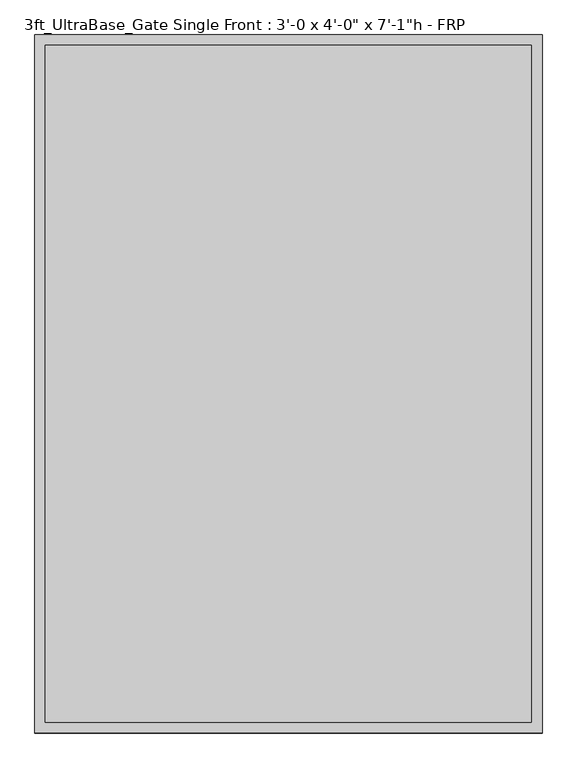
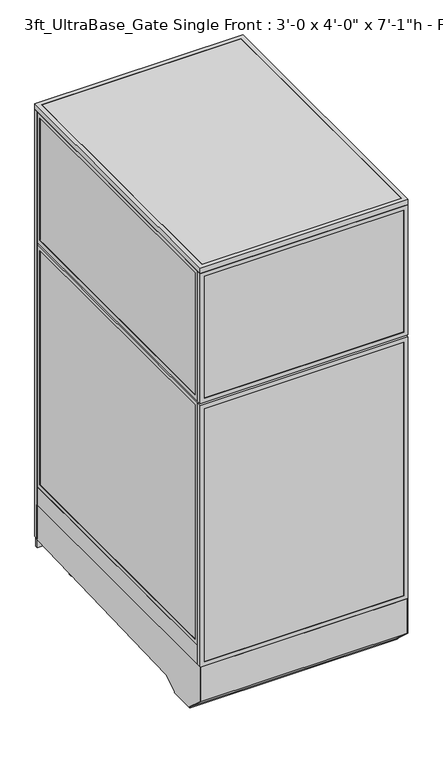
"""IFC4 building model written with IfcOpenShell, lengths in millimetres: proxy geometry."""

from ifc_helpers import new_model, si_unit, point, frame, frame_2d, origin, origin_with_axes, place, context, project, spatial, polyline, circle_curve, trimmed, segment, composite_curve, outline, extrude, source, transform, mapped, element, save


def proxy_9b3ec308(model_context):
    return source(origin(), model_context, "Body", "SweptSolid", [
        extrude(outline(composite_curve([segment(trimmed(circle_curve(frame_2d((121.1505315, 350.6380208)), 38.1), [point((83.0505315, 350.6380208))], [point((159.2505315, 350.6380208))], False, "CARTESIAN"), True, "CONTINUOUS"), segment(trimmed(circle_curve(frame_2d((121.1505315, 350.6380208)), 38.1), [point((159.2505315, 350.6380208))], [point((83.0505315, 350.6380208))], False, "CARTESIAN"), True, "CONTINUOUS")], self_intersect=False)), frame((0.0, 0.0, 103.9931848), z_axis=(0.0, 0.0, 1.0), x_axis=(1.0, 0.0, 0.0)), (0.0, 0.0, 1.0), 12.9784433),
        extrude(outline(composite_curve([segment(trimmed(circle_curve(frame_2d((121.1505315, 350.6380208)), 12.7), [point((108.4505315, 350.6380208))], [point((133.8505315, 350.6380208))], False, "CARTESIAN"), True, "CONTINUOUS"), segment(trimmed(circle_curve(frame_2d((121.1505315, 350.6380208)), 12.7), [point((133.8505315, 350.6380208))], [point((108.4505315, 350.6380208))], False, "CARTESIAN"), True, "CONTINUOUS")], self_intersect=False)), frame((0.0, 0.0, 6.35), z_axis=(0.0, 0.0, 1.0), x_axis=(1.0, 0.0, 0.0)), (0.0, 0.0, 1.0), 97.6431848),
        extrude(outline(composite_curve([segment(trimmed(circle_curve(frame_2d((121.1505315, 350.6380208)), 25.4), [point((95.7505315, 350.6380208))], [point((146.5505315, 350.6380208))], False, "CARTESIAN"), True, "CONTINUOUS"), segment(trimmed(circle_curve(frame_2d((121.1505315, 350.6380208)), 25.4), [point((146.5505315, 350.6380208))], [point((95.7505315, 350.6380208))], False, "CARTESIAN"), True, "CONTINUOUS")], self_intersect=False)), origin_with_axes(), (0.0, 0.0, 1.0), 6.35),
        extrude(outline(composite_curve([segment(trimmed(circle_curve(frame_2d((806.9505315, 350.6380208)), 38.1), [point((768.8505315, 350.6380208))], [point((845.0505315, 350.6380208))], False, "CARTESIAN"), True, "CONTINUOUS"), segment(trimmed(circle_curve(frame_2d((806.9505315, 350.6380208)), 38.1), [point((845.0505315, 350.6380208))], [point((768.8505315, 350.6380208))], False, "CARTESIAN"), True, "CONTINUOUS")], self_intersect=False)), frame((0.0, 0.0, 103.9931848), z_axis=(0.0, 0.0, 1.0), x_axis=(1.0, 0.0, 0.0)), (0.0, 0.0, 1.0), 12.9784433),
        extrude(outline(composite_curve([segment(trimmed(circle_curve(frame_2d((806.9505315, 350.6380208)), 12.7), [point((794.2505315, 350.6380208))], [point((819.6505315, 350.6380208))], False, "CARTESIAN"), True, "CONTINUOUS"), segment(trimmed(circle_curve(frame_2d((806.9505315, 350.6380208)), 12.7), [point((819.6505315, 350.6380208))], [point((794.2505315, 350.6380208))], False, "CARTESIAN"), True, "CONTINUOUS")], self_intersect=False)), frame((0.0, 0.0, 6.35), z_axis=(0.0, 0.0, 1.0), x_axis=(1.0, 0.0, 0.0)), (0.0, 0.0, 1.0), 97.6431848),
        extrude(outline(composite_curve([segment(trimmed(circle_curve(frame_2d((806.9505315, 350.6380208)), 25.4), [point((781.5505315, 350.6380208))], [point((832.3505315, 350.6380208))], False, "CARTESIAN"), True, "CONTINUOUS"), segment(trimmed(circle_curve(frame_2d((806.9505315, 350.6380208)), 25.4), [point((832.3505315, 350.6380208))], [point((781.5505315, 350.6380208))], False, "CARTESIAN"), True, "CONTINUOUS")], self_intersect=False)), origin_with_axes(), (0.0, 0.0, 1.0), 6.35),
        extrude(outline(composite_curve([segment(trimmed(circle_curve(frame_2d((120.4666548, 1136.732592)), 38.1), [point((82.3666548, 1136.732592))], [point((158.5666548, 1136.732592))], False, "CARTESIAN"), True, "CONTINUOUS"), segment(trimmed(circle_curve(frame_2d((120.4666548, 1136.732592)), 38.1), [point((158.5666548, 1136.732592))], [point((82.3666548, 1136.732592))], False, "CARTESIAN"), True, "CONTINUOUS")], self_intersect=False)), frame((0.0, 0.0, 135.7431848), z_axis=(0.0, 0.0, 1.0), x_axis=(1.0, 0.0, 0.0)), (0.0, 0.0, 1.0), 12.9784433),
        extrude(outline(composite_curve([segment(trimmed(circle_curve(frame_2d((120.4666548, 1136.732592)), 12.7), [point((107.7666548, 1136.732592))], [point((133.1666548, 1136.732592))], False, "CARTESIAN"), True, "CONTINUOUS"), segment(trimmed(circle_curve(frame_2d((120.4666548, 1136.732592)), 12.7), [point((133.1666548, 1136.732592))], [point((107.7666548, 1136.732592))], False, "CARTESIAN"), True, "CONTINUOUS")], self_intersect=False)), frame((0.0, 0.0, 6.35), z_axis=(0.0, 0.0, 1.0), x_axis=(1.0, 0.0, 0.0)), (0.0, 0.0, 1.0), 129.3931848),
        extrude(outline(composite_curve([segment(trimmed(circle_curve(frame_2d((120.4666548, 1136.732592)), 25.4), [point((95.0666548, 1136.732592))], [point((145.8666548, 1136.732592))], False, "CARTESIAN"), True, "CONTINUOUS"), segment(trimmed(circle_curve(frame_2d((120.4666548, 1136.732592)), 25.4), [point((145.8666548, 1136.732592))], [point((95.0666548, 1136.732592))], False, "CARTESIAN"), True, "CONTINUOUS")], self_intersect=False)), origin_with_axes(), (0.0, 0.0, 1.0), 6.35),
        extrude(outline(composite_curve([segment(trimmed(circle_curve(frame_2d((806.2666548, 1136.732592)), 38.1), [point((768.1666548, 1136.732592))], [point((844.3666548, 1136.732592))], False, "CARTESIAN"), True, "CONTINUOUS"), segment(trimmed(circle_curve(frame_2d((806.2666548, 1136.732592)), 38.1), [point((844.3666548, 1136.732592))], [point((768.1666548, 1136.732592))], False, "CARTESIAN"), True, "CONTINUOUS")], self_intersect=False)), frame((0.0, 0.0, 135.7431848), z_axis=(0.0, 0.0, 1.0), x_axis=(1.0, 0.0, 0.0)), (0.0, 0.0, 1.0), 12.9784433),
        extrude(outline(composite_curve([segment(trimmed(circle_curve(frame_2d((806.2666548, 1136.732592)), 12.7), [point((793.5666548, 1136.732592))], [point((818.9666548, 1136.732592))], False, "CARTESIAN"), True, "CONTINUOUS"), segment(trimmed(circle_curve(frame_2d((806.2666548, 1136.732592)), 12.7), [point((818.9666548, 1136.732592))], [point((793.5666548, 1136.732592))], False, "CARTESIAN"), True, "CONTINUOUS")], self_intersect=False)), frame((0.0, 0.0, 6.35), z_axis=(0.0, 0.0, 1.0), x_axis=(1.0, 0.0, 0.0)), (0.0, 0.0, 1.0), 129.3931848),
        extrude(outline(composite_curve([segment(trimmed(circle_curve(frame_2d((806.2666548, 1136.732592)), 25.4), [point((780.8666548, 1136.732592))], [point((831.6666548, 1136.732592))], False, "CARTESIAN"), True, "CONTINUOUS"), segment(trimmed(circle_curve(frame_2d((806.2666548, 1136.732592)), 25.4), [point((831.6666548, 1136.732592))], [point((780.8666548, 1136.732592))], False, "CARTESIAN"), True, "CONTINUOUS")], self_intersect=False)), origin_with_axes(), (0.0, 0.0, 1.0), 6.35),
        extrude(outline(polyline([(-19.05, 304.8), (1225.55, 304.8), (1225.55, 144.6534225), (238.733612, 113.4956461), (175.3928625, 76.9258473), (175.3928625, 69.0977369), (59.8970382, 69.0977369), (59.8970382, 73.3553835), (-19.05, 144.439616), (-19.05, 304.8)])), frame((0.0, 0.0, 0.0), z_axis=(1.0, 0.0, 0.0), x_axis=(0.0, 1.0, 0.0)), (0.0, 0.0, 1.0), 3.175),
        extrude(outline(polyline([(-19.05, 304.8), (1225.55, 304.8), (1225.55, 144.6534225), (238.733612, 113.4956461), (175.3928625, 76.9258473), (175.3928625, 69.0977369), (59.8970382, 69.0977369), (59.8970382, 73.3553835), (-19.05, 144.439616), (-19.05, 304.8)])), frame((911.225, 0.0, 0.0), z_axis=(1.0, 0.0, 0.0), x_axis=(0.0, 1.0, 0.0)), (0.0, 0.0, 1.0), 3.175),
        extrude(outline(polyline([(1225.55, 104.78262), (1225.55, 144.7169051), (238.733612, 113.4956461), (175.3928625, 76.9258473), (175.3928625, 69.0977369), (59.8970382, 69.0977369), (59.8970382, 73.3553835), (-19.05, 144.439616), (-19.05, 304.8), (-10.9434074, 304.8), (-10.9434074, 236.4996867), (-5.6766373, 236.4996867), (-2.6025146, 148.4683295), (68.18203, 84.7336392), (68.18203, 79.4164869), (167.804636, 79.4164869), (167.804636, 86.088281), (237.0845322, 126.0870477), (1238.25, 157.7730306), (1238.25, 104.78262), (1225.55, 104.78262)])), frame((3.175, 0.0, 0.0), z_axis=(1.0, 0.0, 0.0), x_axis=(0.0, 1.0, 0.0)), (0.0, 0.0, 1.0), 908.05),
        extrude(outline(polyline([(60.3189838, 1236.6625), (854.0810162, 1236.6625), (854.0810162, 1220.7875), (60.3189838, 1220.7875), (60.3189838, 1236.6625)])), frame((0.0, 0.0, 212.725), z_axis=(0.0, 0.0, 1.0), x_axis=(1.0, 0.0, 0.0)), (0.0, 0.0, 1.0), 1860.55),
        extrude(outline(polyline([(193.675, 41.2689838), (193.675, 873.1310162), (2092.325, 873.1310162), (2092.325, 41.2689838), (193.675, 41.2689838)]), holes=[polyline([(2073.275, 854.0810162), (212.725, 854.0810162), (212.725, 60.3189838), (2073.275, 60.3189838), (2073.275, 854.0810162)])]), frame((0.0, 1219.2, 0.0), z_axis=(0.0, 1.0, 0.0), x_axis=(0.0, 0.0, 1.0)), (0.0, 0.0, 1.0), 19.05),
        extrude(outline(polyline([(152.4, 0.0), (152.4, 914.4), (2133.6, 914.4), (2133.6, 0.0), (152.4, 0.0)]), holes=[polyline([(2114.55, 19.05), (2114.55, 895.35), (171.45, 895.35), (171.45, 19.05), (2114.55, 19.05)])]), frame((0.0, 1219.2, 0.0), z_axis=(0.0, 1.0, 0.0), x_axis=(0.0, 0.0, 1.0)), (0.0, 0.0, 1.0), 19.05),
        extrude(outline(polyline([(1519.2375, 914.4), (1519.2375, 0.0), (304.8, 0.0), (304.8, 914.4), (1519.2375, 914.4)]), holes=[polyline([(323.85, 895.35), (323.85, 19.05), (1500.1875, 19.05), (1500.1875, 895.35), (323.85, 895.35)])]), frame((0.0, -19.05, 0.0), z_axis=(0.0, 1.0, 0.0), x_axis=(0.0, 0.0, 1.0)), (0.0, 0.0, 1.0), 19.05),
        extrude(outline(polyline([(1528.7625, 914.4), (2133.6, 914.4), (2133.6, 0.0), (1528.7625, 0.0), (1528.7625, 914.4)]), holes=[polyline([(2114.55, 895.35), (1547.8125, 895.35), (1547.8125, 19.05), (2114.55, 19.05), (2114.55, 895.35)])]), frame((0.0, -19.05, 0.0), z_axis=(0.0, 1.0, 0.0), x_axis=(0.0, 0.0, 1.0)), (0.0, 0.0, 1.0), 19.05),
        extrude(outline(polyline([(895.35, -17.4625), (19.05, -17.4625), (19.05, -1.5875), (895.35, -1.5875), (895.35, -17.4625)])), frame((0.0, 0.0, 323.85), z_axis=(0.0, 0.0, 1.0), x_axis=(1.0, 0.0, 0.0)), (0.0, 0.0, 1.0), 1176.3375),
        extrude(outline(polyline([(895.35, -17.4625), (19.05, -17.4625), (19.05, -1.5875), (895.35, -1.5875), (895.35, -17.4625)])), frame((0.0, 0.0, 1547.8125), z_axis=(0.0, 0.0, 1.0), x_axis=(1.0, 0.0, 0.0)), (0.0, 0.0, 1.0), 566.7375),
        extrude(outline(polyline([(895.35, 0.0), (895.35, 1219.2), (914.4, 1219.2), (914.4, 0.0), (895.35, 0.0)])), frame((0.0, 0.0, 304.8), z_axis=(0.0, 0.0, 1.0), x_axis=(1.0, 0.0, 0.0)), (0.0, 0.0, 1.0), 88.9),
        extrude(outline(polyline([(1219.2, 393.7), (0.0, 393.7), (0.0, 1519.2375), (1219.2, 1519.2375), (1219.2, 393.7)]), holes=[polyline([(1200.15, 1500.1875), (19.05, 1500.1875), (19.05, 412.75), (1200.15, 412.75), (1200.15, 1500.1875)])]), frame((895.35, 0.0, 0.0), z_axis=(1.0, 0.0, 0.0), x_axis=(0.0, 1.0, 0.0)), (0.0, 0.0, 1.0), 19.05),
        extrude(outline(polyline([(0.0, 1528.7625), (0.0, 2133.6), (1219.2, 2133.6), (1219.2, 1528.7625), (0.0, 1528.7625)]), holes=[polyline([(19.05, 2114.55), (19.05, 1547.8125), (1200.15, 1547.8125), (1200.15, 2114.55), (19.05, 2114.55)])]), frame((895.35, 0.0, 0.0), z_axis=(1.0, 0.0, 0.0), x_axis=(0.0, 1.0, 0.0)), (0.0, 0.0, 1.0), 19.05),
        extrude(outline(polyline([(896.9375, 19.05), (896.9375, 1200.15), (912.8125, 1200.15), (912.8125, 19.05), (896.9375, 19.05)])), frame((0.0, 0.0, 412.75), z_axis=(0.0, 0.0, 1.0), x_axis=(1.0, 0.0, 0.0)), (0.0, 0.0, 1.0), 1087.4375),
        extrude(outline(polyline([(896.9375, 19.05), (896.9375, 1200.15), (912.8125, 1200.15), (912.8125, 19.05), (896.9375, 19.05)])), frame((0.0, 0.0, 1547.8125), z_axis=(0.0, 0.0, 1.0), x_axis=(1.0, 0.0, 0.0)), (0.0, 0.0, 1.0), 566.7375),
        extrude(outline(polyline([(0.0, 0.0), (0.0, 1219.2), (19.05, 1219.2), (19.05, 0.0), (0.0, 0.0)])), frame((0.0, 0.0, 304.8), z_axis=(0.0, 0.0, 1.0), x_axis=(1.0, 0.0, 0.0)), (0.0, 0.0, 1.0), 88.9),
        extrude(outline(polyline([(1219.2, 393.7), (0.0, 393.7), (0.0, 1519.2375), (1219.2, 1519.2375), (1219.2, 393.7)]), holes=[polyline([(1200.15, 1500.1875), (19.05, 1500.1875), (19.05, 412.75), (1200.15, 412.75), (1200.15, 1500.1875)])]), frame((0.0, 0.0, 0.0), z_axis=(1.0, 0.0, 0.0), x_axis=(0.0, 1.0, 0.0)), (0.0, 0.0, 1.0), 19.05),
        extrude(outline(polyline([(0.0, 1528.7625), (0.0, 2133.6), (1219.2, 2133.6), (1219.2, 1528.7625), (0.0, 1528.7625)]), holes=[polyline([(19.05, 2114.55), (19.05, 1547.8125), (1200.15, 1547.8125), (1200.15, 2114.55), (19.05, 2114.55)])]), frame((0.0, 0.0, 0.0), z_axis=(1.0, 0.0, 0.0), x_axis=(0.0, 1.0, 0.0)), (0.0, 0.0, 1.0), 19.05),
        extrude(outline(polyline([(1.5875, 19.05), (1.5875, 1200.15), (17.4625, 1200.15), (17.4625, 19.05), (1.5875, 19.05)])), frame((0.0, 0.0, 412.75), z_axis=(0.0, 0.0, 1.0), x_axis=(1.0, 0.0, 0.0)), (0.0, 0.0, 1.0), 1087.4375),
        extrude(outline(polyline([(1.5875, 19.05), (1.5875, 1200.15), (17.4625, 1200.15), (17.4625, 19.05), (1.5875, 19.05)])), frame((0.0, 0.0, 1547.8125), z_axis=(0.0, 0.0, 1.0), x_axis=(1.0, 0.0, 0.0)), (0.0, 0.0, 1.0), 566.7375),
        extrude(outline(polyline([(882.65, 622.3), (882.65, 609.6), (31.75, 609.6), (31.75, 622.3), (882.65, 622.3)])), frame((0.0, 0.0, 152.4), z_axis=(0.0, 0.0, 1.0), x_axis=(1.0, 0.0, 0.0)), (0.0, 0.0, 1.0), 152.4),
        extrude(outline(polyline([(882.65, 622.3), (882.65, 12.7), (31.75, 12.7), (31.75, 622.3), (882.65, 622.3)])), frame((0.0, 0.0, 304.8), z_axis=(0.0, 0.0, 1.0), x_axis=(1.0, 0.0, 0.0)), (0.0, 0.0, 1.0), 12.7),
        extrude(outline(polyline([(0.0, -19.05), (0.0, 1238.25), (914.4, 1238.25), (914.4, -19.05), (0.0, -19.05)]), holes=[polyline([(19.05, 0.0), (895.35, 0.0), (895.35, 1219.2), (19.05, 1219.2), (19.05, 0.0)])]), frame((0.0, 0.0, 2133.6), z_axis=(0.0, 0.0, 1.0), x_axis=(1.0, 0.0, 0.0)), (0.0, 0.0, 1.0), 25.4),
        extrude(outline(polyline([(895.35, 1219.2), (895.35, 0.0), (19.05, 0.0), (19.05, 1219.2), (895.35, 1219.2)])), frame((0.0, 0.0, 2133.6), z_axis=(0.0, 0.0, 1.0), x_axis=(1.0, 0.0, 0.0)), (0.0, 0.0, 1.0), 25.4),
    ])


if __name__ == "__main__":
    model = new_model("IFC4")
    model_context = context("Model", 3, world=origin())
    ifc_project = project(units=[si_unit("LENGTHUNIT", "METRE", prefix="MILLI")], contexts=[model_context])
    site = spatial("IfcSite", under=ifc_project)
    building = spatial("IfcBuilding", under=site)
    placement = place(None, origin())
    proxy_shape = proxy_9b3ec308(model_context)
    element("IfcBuildingElementProxy", 1, Name="3ft_UltraBase_Gate Single Front : 3'-0 x 4'-0\" x 7'-1\"h - FRP", ObjectType="3ft_UltraBase_Gate Single Front : 3'-0 x 4'-0\" x 7'-1\"h - FRP", at=placement, inside=building, context=model_context, shape_type="MappedRepresentation", body=[
        mapped(proxy_shape, transform((0.0, 0.0, 0.0), x_axis=(1.0, 0.0, 0.0), y_axis=(0.0, 1.0, 0.0), z_axis=(0.0, 0.0, 1.0))),
    ])
    save(model, "model.ifc")
